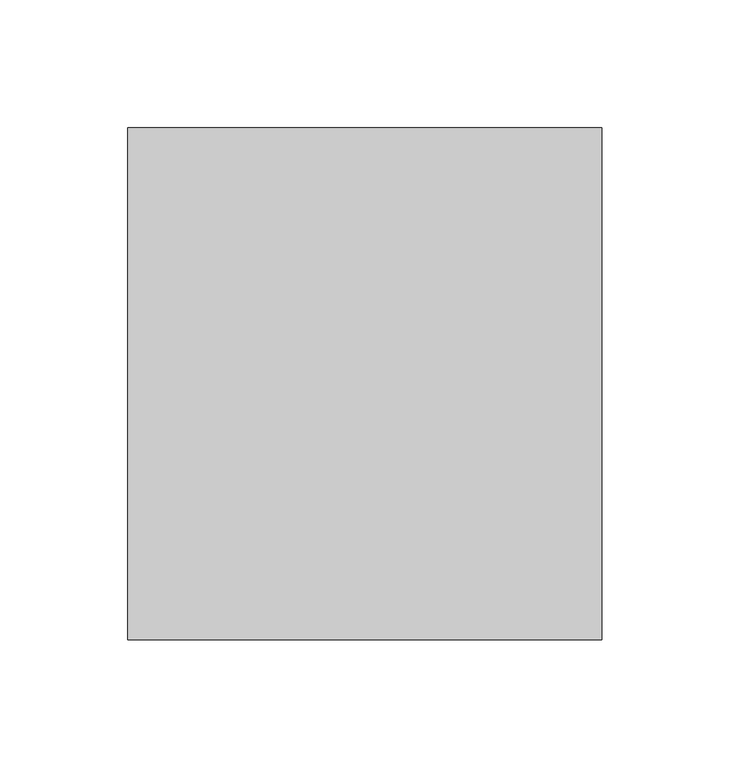
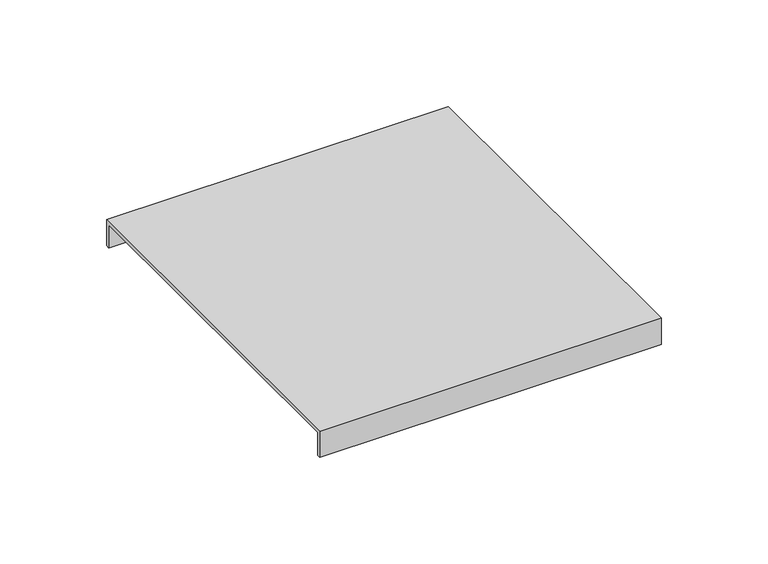
"""IFC4 building model written with IfcOpenShell, lengths in millimetres: furniture geometry."""

from ifc_helpers import new_model, si_unit, frame, origin, place, context, project, spatial, polyline, outline, extrude, source, transform, mapped, element, save


def furniture_6a6285b6(model_context):
    return source(origin(), model_context, "Body", "SweptSolid", [
        extrude(outline(polyline([(100.0, 515.0), (100.0, 500.0), (98.0, 500.0), (98.0, 513.0), (-98.0, 513.0), (-98.0, 500.0), (-100.0, 500.0), (-100.0, 515.0), (100.0, 515.0)])), frame((-905.0, 0.0, 0.0), z_axis=(1.0, 0.0, 0.0), x_axis=(0.0, 1.0, 0.0)), (0.0, 0.0, 1.0), 185.0),
    ])


if __name__ == "__main__":
    model = new_model("IFC4")
    model_context = context("Model", 3, world=origin())
    ifc_project = project(units=[si_unit("LENGTHUNIT", "METRE", prefix="MILLI")], contexts=[model_context])
    site = spatial("IfcSite", under=ifc_project)
    building = spatial("IfcBuilding", under=site)
    placement = place(None, origin())
    furniture_shape = furniture_6a6285b6(model_context)
    element("IfcFurniture", 1, at=placement, inside=building, context=model_context, shape_type="MappedRepresentation", body=[
        mapped(furniture_shape, transform((0.0, 0.0, 0.0), x_axis=(1.0, 0.0, 0.0), y_axis=(0.0, 1.0, 0.0), z_axis=(0.0, 0.0, 1.0))),
    ])
    save(model, "model.ifc")
